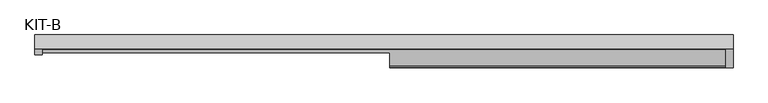
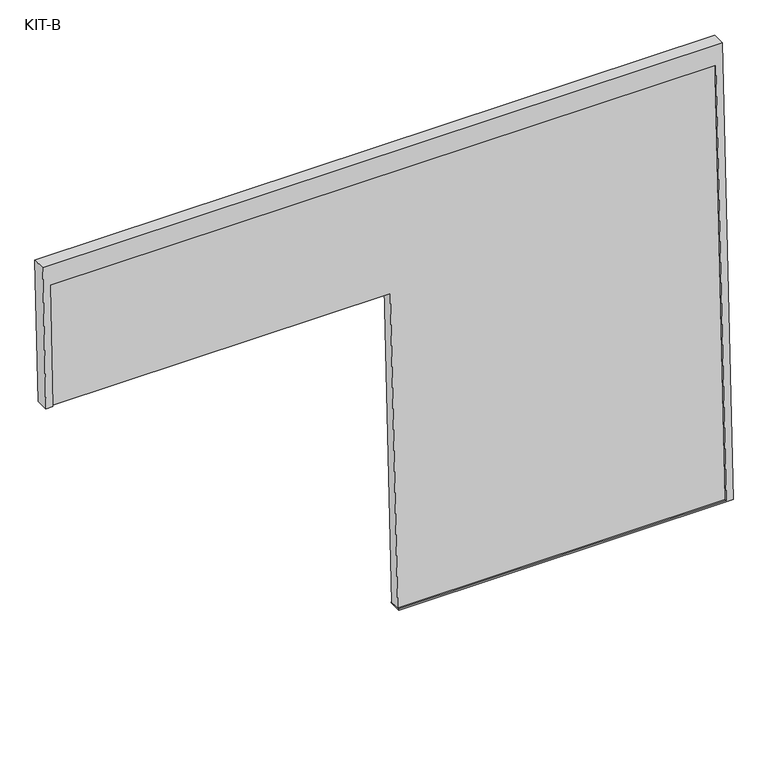
"""IFC4 building model written with IfcOpenShell, lengths in millimetres: plate geometry, KIT-B."""

from ifc_helpers import new_model, si_unit, frame, origin, place, context, project, spatial, polyline, outline, extrude, source, transform, mapped, element, save


def kit_b_f4cad222(model_context):
    return source(origin(), model_context, "Body", "SweptSolid", [
        extrude(outline(polyline([(0.0, 0.0), (0.0, -1754.0), (-1186.531593, -1754.0), (-1186.531593, -891.5), (-330.0, -891.5), (-330.0, 0.0), (0.0, 0.0)])), frame((-877.0, 5.6533873, 1135.0792992), z_axis=(0.0, -0.9992101801000246, 0.039736834102334216), x_axis=(0.0, 0.039736834102334216, 0.9992101801000246)), (0.0, 0.0, 1.0), 27.4505712),
        extrude(outline(polyline([(0.0, 0.0), (0.0, -1791.0), (-1245.0000001, -1791.0), (-1245.0000001, -910.0), (-1241.531593, -910.0), (-1241.531593, -1772.5), (-55.0, -1772.5), (-55.0, -18.5), (-385.0000001, -18.5), (-385.0000001, 0.0), (0.0, 0.0)])), frame((-895.5, 10.3863283, 1189.9345529), z_axis=(0.0, -0.9992101801000247, 0.03973683410233422), x_axis=(0.0, 0.03973683410233422, 0.9992101801000247)), (0.0, 0.0, 1.0), 35.0),
    ])


if __name__ == "__main__":
    model = new_model("IFC4")
    model_context = context("Model", 3, world=origin())
    ifc_project = project(units=[si_unit("LENGTHUNIT", "METRE", prefix="MILLI")], contexts=[model_context])
    site = spatial("IfcSite", under=ifc_project)
    building = spatial("IfcBuilding", under=site)
    placement = place(None, origin())
    kit_b_shape = kit_b_f4cad222(model_context)
    element("IfcPlate", 1, ObjectType="KIT-B", at=placement, inside=building, context=model_context, shape_type="MappedRepresentation", body=[
        mapped(kit_b_shape, transform((0.0, 0.0, 0.0), x_axis=(1.0, 0.0, 0.0), y_axis=(0.0, 1.0, 0.0), z_axis=(0.0, 0.0, 1.0))),
    ])
    save(model, "model.ifc")
